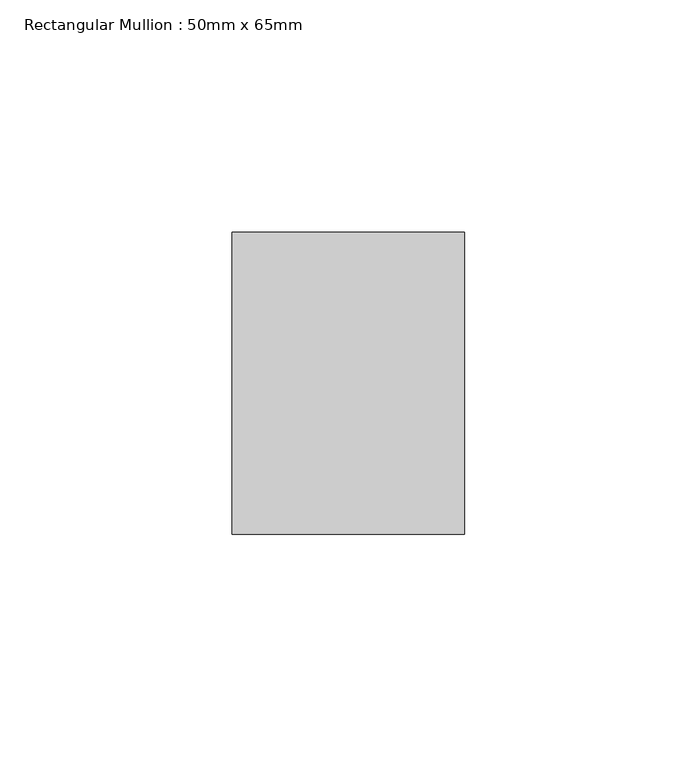
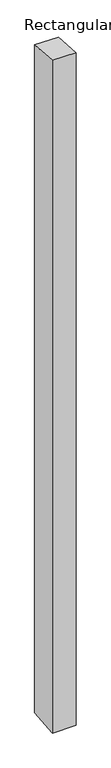
"""IFC4 building model written with IfcOpenShell, lengths in millimetres: member geometry, Rectangular Mullion : 50mm x 65mm."""

from ifc_helpers import new_model, si_unit, origin, place, context, project, spatial, faceted_brep, source, transform, mapped, element, save


def rectangular_mullion_50mm_x_65mm_a44d1f82(model_context):
    return source(origin(), model_context, "Body", "Brep", [
        faceted_brep([(-25.0, 32.5, -2.4319415), (25.0, 32.5, -2.4319571), (25.0, 32.5, -1497.0087073), (-25.0, 32.5, -1497.0087265), (-25.0, -32.5, 2.4319571), (-25.0, -32.5, -1502.9910368), (25.0, -32.5, 2.4319415), (25.0, -32.5, -1502.9910177)], [[[0, 1, 2, 3]], [[4, 0, 3, 5]], [[6, 4, 5, 7]], [[1, 6, 7, 2]], [[1, 0, 4, 6]], [[2, 7, 5, 3]]]),
    ])


if __name__ == "__main__":
    model = new_model("IFC4")
    model_context = context("Model", 3, world=origin())
    ifc_project = project(units=[si_unit("LENGTHUNIT", "METRE", prefix="MILLI")], contexts=[model_context])
    site = spatial("IfcSite", under=ifc_project)
    building = spatial("IfcBuilding", under=site)
    placement = place(None, origin())
    rectangular_mullion_50mm_x_65mm_shape = rectangular_mullion_50mm_x_65mm_a44d1f82(model_context)
    element("IfcMember", 1, ObjectType="Rectangular Mullion : 50mm x 65mm", at=placement, inside=building, context=model_context, shape_type="MappedRepresentation", body=[
        mapped(rectangular_mullion_50mm_x_65mm_shape, transform((0.0, 0.0, 0.0), x_axis=(1.0, 0.0, 0.0), y_axis=(0.0, 1.0, 0.0), z_axis=(0.0, 0.0, 1.0))),
    ])
    save(model, "model.ifc")
